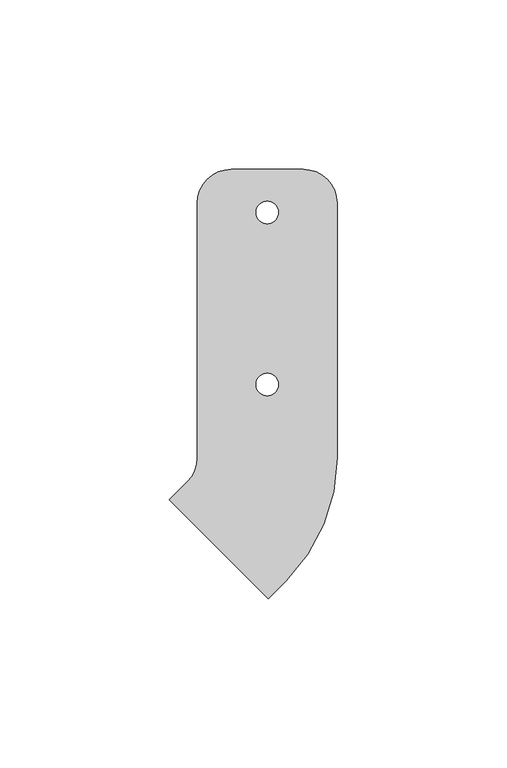
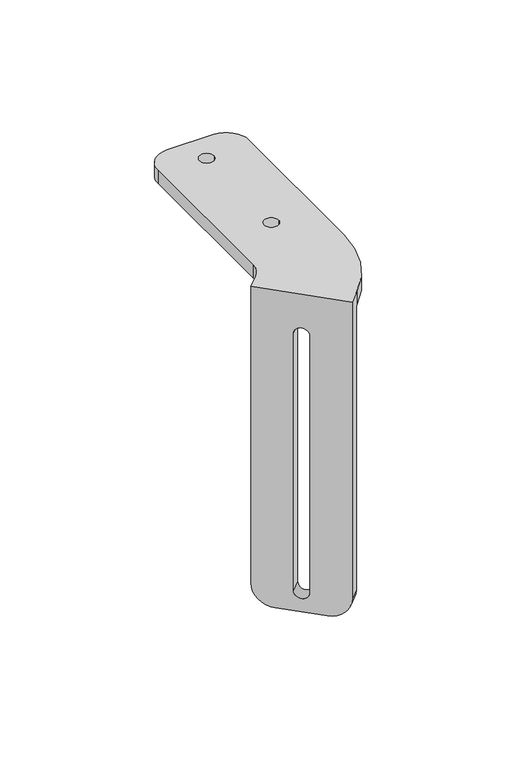
"""IFC4 building model written with IfcOpenShell, lengths in millimetres: proxy geometry."""

from ifc_helpers import new_model, si_unit, frame, origin, place, context, project, spatial, polyline, circle_curve, source, transform, mapped, element, save
from ifc_brep_helpers import plane_surface, cylinder_surface, revolved_surface, advanced_brep


def generic_models_eff55d72(model_context):
    return source(origin(), model_context, "Body", "AdvancedBrep", [
        advanced_brep(
        [(-20.6375, 0.0, 6.35), (-23.5664322, -7.0710678, 6.35), (-28.8686088, -12.3732444, 6.35), (0.3172236, -41.5590768, 6.35), (5.6194002, -36.2569002, 6.35), (20.6375, 0.0, 6.35), (20.6375, 75.09, 6.35), (10.6375, 85.09, 6.35), (-10.6375, 85.09, 6.35), (-20.6375, 75.09, 6.35), (-3.302, 72.39, 6.35), (3.302, 72.39, 6.35), (-3.302, 21.59, 6.35), (3.302, 21.59, 6.35), (-20.6375, 0.0, 0.0), (-20.6375, 75.09, 0.0), (-10.6375, 85.09, 0.0), (10.6375, 85.09, 0.0), (20.6375, 75.09, 0.0), (20.6375, 0.0, 0.0), (5.6194002, -36.2569002, 0.0), (4.8073517, -37.0689487, 0.0), (-24.3784807, -7.8831163, 0.0), (-23.5664322, -7.0710678, 0.0), (-3.302, 72.39, 0.0), (3.302, 72.39, 0.0), (-3.302, 21.59, 0.0), (3.302, 21.59, 0.0), (-24.3784807, -7.8831163, -136.05), (-28.8686088, -12.3732444, -136.05), (-21.7975409, -19.4443122, -146.05), (-6.7538442, -34.488009, -146.05), (0.3172236, -41.5590768, -136.05), (-16.6105592, -24.631294, -136.398), (-16.6105592, -24.631294, -13.208), (-11.940826, -29.3010272, -13.208), (-11.940826, -29.3010272, -136.398), (4.8073517, -37.0689487, -136.05), (-2.2637161, -29.9978809, -146.05), (-17.3074129, -14.9541841, -146.05), (-12.1204311, -20.1411659, -136.398), (-7.4506979, -24.8108991, -136.398), (-7.4506979, -24.8108991, -13.208), (-12.1204311, -20.1411659, -13.208)],
        [
            (0, 1, circle_curve(frame((-30.6375, 0.0, 6.35), z_axis=(0.0, 0.0, -1.0), x_axis=(-0.707106781186551, 0.707106781186544, 0.0)), 10.0)),
            (1, 2),
            (2, 3),
            (3, 4),
            (4, 5, circle_curve(frame((-30.6375, 0.0, 6.35), z_axis=(0.0, 0.0, 1.0), x_axis=(-0.707106781186551, 0.707106781186544, 0.0)), 51.275)),
            (5, 6),
            (6, 7, circle_curve(frame((10.6375, 75.09, 6.35), z_axis=(0.0, 0.0, 1.0), x_axis=(-0.707106781186551, 0.707106781186544, 0.0)), 10.0)),
            (7, 8),
            (8, 9, circle_curve(frame((-10.6375, 75.09, 6.35), z_axis=(0.0, 0.0, 1.0), x_axis=(-0.707106781186551, 0.707106781186544, 0.0)), 10.0)),
            (9, 0),
            (10, 11, circle_curve(frame((0.0, 72.39, 6.35), z_axis=(0.0, 0.0, -1.0), x_axis=(1.0, 0.0, 0.0)), 3.302)),
            (11, 10, circle_curve(frame((0.0, 72.39, 6.35), z_axis=(0.0, 0.0, -1.0), x_axis=(1.0, 0.0, 0.0)), 3.302)),
            (12, 13, circle_curve(frame((0.0, 21.59, 6.35), z_axis=(0.0, 0.0, -1.0), x_axis=(1.0, 0.0, 0.0)), 3.302)),
            (13, 12, circle_curve(frame((0.0, 21.59, 6.35), z_axis=(0.0, 0.0, -1.0), x_axis=(1.0, 0.0, 0.0)), 3.302)),
            (14, 15),
            (15, 16, circle_curve(frame((-10.6375, 75.09, 0.0), z_axis=(0.0, 0.0, -1.0), x_axis=(-0.707106781186551, 0.707106781186544, 0.0)), 10.0)),
            (16, 17),
            (17, 18, circle_curve(frame((10.6375, 75.09, 0.0), z_axis=(0.0, 0.0, -1.0), x_axis=(-0.707106781186551, 0.707106781186544, 0.0)), 10.0)),
            (18, 19),
            (19, 20, circle_curve(frame((-30.6375, 0.0, 0.0), z_axis=(0.0, 0.0, -1.0), x_axis=(-0.707106781186551, 0.707106781186544, 0.0)), 51.275)),
            (20, 21),
            (21, 22),
            (22, 23),
            (23, 14, circle_curve(frame((-30.6375, 0.0, 0.0), z_axis=(0.0, 0.0, 1.0), x_axis=(-0.707106781186551, 0.707106781186544, 0.0)), 10.0)),
            (24, 25, circle_curve(frame((0.0, 72.39, 0.0), z_axis=(0.0, 0.0, 1.0), x_axis=(1.0, 0.0, 0.0)), 3.302)),
            (25, 24, circle_curve(frame((0.0, 72.39, 0.0), z_axis=(0.0, 0.0, 1.0), x_axis=(1.0, 0.0, 0.0)), 3.302)),
            (26, 27, circle_curve(frame((0.0, 21.59, 0.0), z_axis=(0.0, 0.0, 1.0), x_axis=(1.0, 0.0, 0.0)), 3.302)),
            (27, 26, circle_curve(frame((0.0, 21.59, 0.0), z_axis=(0.0, 0.0, 1.0), x_axis=(1.0, 0.0, 0.0)), 3.302)),
            (0, 14),
            (23, 1),
            (22, 28),
            (28, 29),
            (29, 2),
            (29, 30, circle_curve(frame((-21.7975409, -19.4443122, -136.05), z_axis=(-0.7071067811865442, -0.7071067811865508, 0.0), x_axis=(-0.7071067811865508, 0.7071067811865442, 0.0)), 10.0)),
            (30, 31),
            (31, 32, circle_curve(frame((-6.7538442, -34.488009, -136.05), z_axis=(-0.707106781186544, -0.707106781186551, 0.0), x_axis=(0.707106781186551, -0.707106781186544, 0.0)), 10.0)),
            (32, 3),
            (33, 34),
            (34, 35, circle_curve(frame((-14.2756926, -26.9661606, -13.208), z_axis=(0.7071067811865441, 0.7071067811865509, 0.0), x_axis=(0.7071067811865509, -0.7071067811865441, 0.0)), 3.302)),
            (35, 36),
            (36, 33, circle_curve(frame((-14.2756926, -26.9661606, -136.398), z_axis=(0.7071067811865441, 0.7071067811865509, 0.0), x_axis=(0.7071067811865509, -0.7071067811865441, 0.0)), 3.302)),
            (32, 37),
            (37, 21),
            (20, 4),
            (19, 5),
            (18, 6),
            (17, 7),
            (16, 8),
            (15, 9),
            (10, 24),
            (25, 11),
            (12, 26),
            (27, 13),
            (37, 38, circle_curve(frame((-2.2637161, -29.9978809, -136.05), z_axis=(0.707106781186544, 0.707106781186551, 0.0), x_axis=(0.707106781186551, -0.707106781186544, 0.0)), 10.0)),
            (38, 39),
            (39, 28, circle_curve(frame((-17.3074129, -14.9541841, -136.05), z_axis=(0.7071067811865442, 0.7071067811865508, 0.0), x_axis=(-0.7071067811865508, 0.7071067811865442, 0.0)), 10.0)),
            (40, 41, circle_curve(frame((-9.7855645, -22.4760325, -136.398), z_axis=(-0.7071067811865441, -0.7071067811865509, 0.0), x_axis=(0.7071067811865509, -0.7071067811865441, 0.0)), 3.302)),
            (41, 42),
            (42, 43, circle_curve(frame((-9.7855645, -22.4760325, -13.208), z_axis=(-0.7071067811865441, -0.7071067811865509, 0.0), x_axis=(0.7071067811865509, -0.7071067811865441, 0.0)), 3.302)),
            (43, 40),
            (39, 30),
            (38, 31),
            (43, 34),
            (33, 40),
            (42, 35),
            (41, 36),
        ],
        [
            plane_surface(frame((-37.7085678, 7.0710678, 6.35), z_axis=(0.0, 0.0, 1.0), x_axis=(0.707106781186544, 0.707106781186551, 0.0))),
            plane_surface(frame((-37.7085678, 7.0710678, 0.0), z_axis=(0.0, 0.0, -1.0), x_axis=(-0.707106781186544, -0.707106781186551, 0.0))),
            revolved_surface(polyline([(-37.70856781186551, 7.07106781186544, 0.0), (-37.70856781186551, 7.07106781186544, 6.35)]), (-30.6375, 0.0, 0.0), (0.0, 0.0, -1.0)),
            plane_surface(frame((-23.5664322, -7.0710678, 6.35), z_axis=(-0.7071067811865567, 0.7071067811865385, 0.0), x_axis=(0.0, 0.0, -1.0))),
            plane_surface(frame((-28.8686088, -12.3732444, 6.35), z_axis=(-0.707106781186544, -0.707106781186551, 0.0), x_axis=(0.0, 0.0, -1.0))),
            plane_surface(frame((0.3172236, -41.5590768, 6.35), z_axis=(0.7071067811865515, -0.7071067811865437, 0.0), x_axis=(0.0, 0.0, -1.0))),
            cylinder_surface(frame((-30.6375, 0.0, 0.0), z_axis=(0.0, 0.0, 1.0), x_axis=(-0.707106781186551, 0.707106781186544, 0.0)), 51.275),
            plane_surface(frame((20.6375, 0.0, 6.35), z_axis=(1.0, 0.0, 0.0), x_axis=(0.0, 0.0, -1.0))),
            cylinder_surface(frame((10.6375, 75.09, 0.0), z_axis=(0.0, 0.0, 1.0), x_axis=(-0.707106781186551, 0.707106781186544, 0.0)), 10.0),
            plane_surface(frame((10.6375, 85.09, 6.35), z_axis=(0.0, 1.0, 0.0), x_axis=(0.0, 0.0, -1.0))),
            cylinder_surface(frame((-10.6375, 75.09, 0.0), z_axis=(0.0, 0.0, 1.0), x_axis=(-0.707106781186551, 0.707106781186544, 0.0)), 10.0),
            plane_surface(frame((-20.6375, 75.09, 6.35), z_axis=(-1.0, 0.0, 0.0), x_axis=(0.0, 0.0, -1.0))),
            revolved_surface(polyline([(3.302, 72.39, 0.0), (3.302, 72.39, 6.35)]), (0.0, 72.39, 0.0), (0.0, 0.0, -1.0)),
            revolved_surface(polyline([(3.302, 21.59, 0.0), (3.302, 21.59, 6.35)]), (0.0, 21.59, 0.0), (0.0, 0.0, -1.0)),
            plane_surface(frame((7.0001775, -39.2617745, 0.0), z_axis=(0.707106781186544, 0.707106781186551, 0.0), x_axis=(0.707106781186551, -0.707106781186544, 0.0))),
            cylinder_surface(frame((-17.3074129, -14.9541841, -136.05), z_axis=(-0.7071067811865442, -0.7071067811865508, 0.0), x_axis=(-0.7071067811865508, 0.7071067811865442, 0.0)), 10.0),
            plane_surface(frame((-21.7975409, -19.4443122, -146.05), z_axis=(0.0, 0.0, -1.0), x_axis=(0.707106781186544, 0.707106781186551, 0.0))),
            cylinder_surface(frame((-2.2637161, -29.9978809, -136.05), z_axis=(-0.707106781186544, -0.707106781186551, 0.0), x_axis=(0.707106781186551, -0.707106781186544, 0.0)), 10.0),
            plane_surface(frame((-16.6105592, -24.631294, -136.398), z_axis=(0.7071067811865503, -0.7071067811865447, 0.0), x_axis=(0.7071067811865447, 0.7071067811865503, 0.0))),
            revolved_surface(polyline([(-7.450697908522021, -24.810899091477935, -13.208), (-11.940826008522022, -29.301027191477978, -13.208)]), (-14.2756926, -26.9661606, -13.208), (0.7071067811865441, 0.7071067811865509, 0.0)),
            plane_surface(frame((-11.940826, -29.3010272, -13.208), z_axis=(-0.7071067811865515, 0.7071067811865438, 0.0), x_axis=(0.7071067811865438, 0.7071067811865515, 0.0))),
            revolved_surface(polyline([(-7.450697908522021, -24.810899091477935, -136.398), (-11.940826008522022, -29.301027191477978, -136.398)]), (-14.2756926, -26.9661606, -136.398), (0.7071067811865441, 0.7071067811865509, 0.0)),
        ],
        [
            (0, [[1, 2, 3, 4, 5, 6, 7, 8, 9, 10], [11, 12], [13, 14]]),
            (1, [[15, 16, 17, 18, 19, 20, 21, 22, 23, 24], [25, 26], [27, 28]]),
            (2, [[-1, 29, -24, 30]]),
            (3, [[-2, -30, -23, 31, 32, 33]]),
            (4, [[-3, -33, 34, 35, 36, 37], [38, 39, 40, 41]]),
            (5, [[-4, -37, 42, 43, -21, 44]]),
            (6, [[-5, -44, -20, 45]]),
            (7, [[-6, -45, -19, 46]]),
            (8, [[-7, -46, -18, 47]]),
            (9, [[-8, -47, -17, 48]]),
            (10, [[-9, -48, -16, 49]]),
            (11, [[-10, -49, -15, -29]]),
            (12, [[-11, 50, -26, 51]]),
            (12, [[-12, -51, -25, -50]]),
            (13, [[-13, 52, -28, 53]]),
            (13, [[-14, -53, -27, -52]]),
            (14, [[-43, 54, 55, 56, -31, -22], [57, 58, 59, 60]]),
            (15, [[-56, 61, -34, -32]]),
            (16, [[-55, 62, -35, -61]]),
            (17, [[-54, -42, -36, -62]]),
            (18, [[-60, 63, -38, 64]]),
            (19, [[-59, 65, -39, -63]]),
            (20, [[-58, 66, -40, -65]]),
            (21, [[-57, -64, -41, -66]]),
        ],
    ),
    ])


if __name__ == "__main__":
    model = new_model("IFC4")
    model_context = context("Model", 3, world=origin())
    ifc_project = project(units=[si_unit("LENGTHUNIT", "METRE", prefix="MILLI")], contexts=[model_context])
    site = spatial("IfcSite", under=ifc_project)
    building = spatial("IfcBuilding", under=site)
    placement = place(None, origin())
    generic_models_shape = generic_models_eff55d72(model_context)
    element("IfcBuildingElementProxy", 1, Name="Generic Models", at=placement, inside=building, context=model_context, shape_type="MappedRepresentation", body=[
        mapped(generic_models_shape, transform((0.0, 0.0, 0.0), x_axis=(1.0, 0.0, 0.0), y_axis=(0.0, 1.0, 0.0), z_axis=(0.0, 0.0, 1.0))),
    ])
    save(model, "model.ifc")
